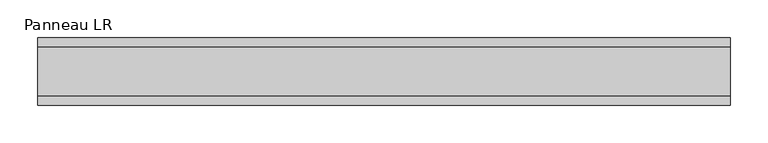
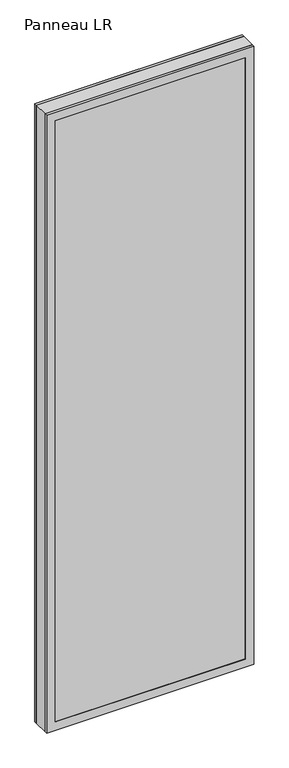
"""IFC4 building model written with IfcOpenShell, lengths in millimetres: plate geometry, Panneau LR."""

from ifc_helpers import new_model, si_unit, frame, origin, place, context, project, spatial, polyline, outline, extrude, faceted_brep, source, transform, mapped, element, save


def panneau_lr_768527b1(model_context):
    return source(origin(), model_context, "Body", "SolidModel", [
        faceted_brep([(-461.7520247, 33.0, 2910.0), (-461.7520247, 45.0, 2910.0), (-461.7520247, 45.0, 0.0), (-461.7520247, 33.0, 0.0), (461.7520247, 33.0, 0.0), (461.7520247, 45.0, 0.0), (461.7520247, 45.0, 2910.0), (461.7520247, 33.0, 2910.0), (-422.7520247, 45.0, 2871.0), (-422.7520247, 45.0, 39.0), (422.7520247, 45.0, 39.0), (422.7520247, 45.0, 2871.0), (422.7520247, 43.8, 2871.0), (-422.7520247, 43.8, 2871.0), (-437.7520247, 43.8, 2886.0), (-437.7520247, 43.8, 24.0), (437.7520247, 43.8, 24.0), (437.7520247, 43.8, 2886.0), (422.7520247, 43.8, 39.0), (-422.7520247, 43.8, 39.0), (437.7520247, 33.0, 2886.0), (-437.7520247, 33.0, 2886.0), (437.7520247, 33.0, 24.0), (-437.7520247, 33.0, 24.0)], [[[0, 1, 2, 3]], [[4, 5, 6, 7]], [[6, 1, 0, 7]], [[2, 1, 6, 5], [8, 9, 10, 11]], [[8, 11, 12, 13]], [[14, 15, 16, 17], [13, 12, 18, 19]], [[14, 17, 20, 21]], [[0, 3, 4, 7], [20, 22, 23, 21]], [[23, 22, 16, 15]], [[19, 18, 10, 9]], [[4, 3, 2, 5]], [[21, 23, 15, 14]], [[13, 19, 9, 8]], [[18, 12, 11, 10]], [[22, 20, 17, 16]]]),
        faceted_brep([(-461.7520247, -33.0, 0.0), (-461.7520247, -45.0, 0.0), (-461.7520247, -45.0, 2910.0), (-461.7520247, -33.0, 2910.0), (461.7520247, -45.0, 0.0), (461.7520247, -33.0, 0.0), (461.7520247, -33.0, 2910.0), (461.7520247, -45.0, 2910.0), (422.7520247, -45.0, 2871.0), (422.7520247, -45.0, 39.0), (-422.7520247, -45.0, 39.0), (-422.7520247, -45.0, 2871.0), (-437.7520247, -33.0, 2886.0), (-437.7520247, -33.0, 24.0), (437.7520247, -33.0, 24.0), (437.7520247, -33.0, 2886.0), (437.7520247, -43.8, 2886.0), (-437.7520247, -43.8, 2886.0), (437.7520247, -43.8, 24.0), (-437.7520247, -43.8, 24.0), (-422.7520247, -43.8, 2871.0), (-422.7520247, -43.8, 39.0), (422.7520247, -43.8, 39.0), (422.7520247, -43.8, 2871.0)], [[[0, 1, 2, 3]], [[4, 5, 6, 7]], [[2, 1, 4, 7], [8, 9, 10, 11]], [[6, 3, 2, 7]], [[0, 3, 6, 5], [12, 13, 14, 15]], [[12, 15, 16, 17]], [[17, 16, 18, 19], [20, 21, 22, 23]], [[8, 11, 20, 23]], [[10, 9, 22, 21]], [[19, 18, 14, 13]], [[4, 1, 0, 5]], [[11, 10, 21, 20]], [[17, 19, 13, 12]], [[18, 16, 15, 14]], [[9, 8, 23, 22]]]),
        extrude(outline(polyline([(2910.0, 461.7520247), (2910.0, -461.7520247), (0.0, -461.7520247), (0.0, 461.7520247), (2910.0, 461.7520247)]), holes=[polyline([(46.0, -421.7520247), (2864.0, -421.7520247), (2864.0, 421.7520247), (46.0, 421.7520247), (46.0, -421.7520247)])]), frame((0.0, -33.0, 0.0), z_axis=(0.0, 1.0, 0.0), x_axis=(0.0, 0.0, 1.0)), (0.0, 0.0, 1.0), 66.0),
        extrude(outline(polyline([(437.7520247, 37.8), (-437.7520247, 37.8), (-437.7520247, 43.8), (437.7520247, 43.8), (437.7520247, 37.8)])), frame((0.0, 0.0, 24.0), z_axis=(0.0, 0.0, 1.0), x_axis=(1.0, 0.0, 0.0)), (0.0, 0.0, 1.0), 2862.0),
        extrude(outline(polyline([(-437.7520247, -43.8), (-437.7520247, -37.8), (437.7520247, -37.8), (437.7520247, -43.8), (-437.7520247, -43.8)])), frame((0.0, 0.0, 24.0), z_axis=(0.0, 0.0, 1.0), x_axis=(1.0, 0.0, 0.0)), (0.0, 0.0, 1.0), 2862.0),
    ])


if __name__ == "__main__":
    model = new_model("IFC4")
    model_context = context("Model", 3, world=origin())
    ifc_project = project(units=[si_unit("LENGTHUNIT", "METRE", prefix="MILLI")], contexts=[model_context])
    site = spatial("IfcSite", under=ifc_project)
    building = spatial("IfcBuilding", under=site)
    placement = place(None, origin())
    panneau_lr_shape = panneau_lr_768527b1(model_context)
    element("IfcPlate", 1, ObjectType="Panneau LR", at=placement, inside=building, context=model_context, shape_type="MappedRepresentation", body=[
        mapped(panneau_lr_shape, transform((0.0, 0.0, 0.0), x_axis=(1.0, 0.0, 0.0), y_axis=(0.0, 1.0, 0.0), z_axis=(0.0, 0.0, 1.0))),
    ])
    save(model, "model.ifc")
